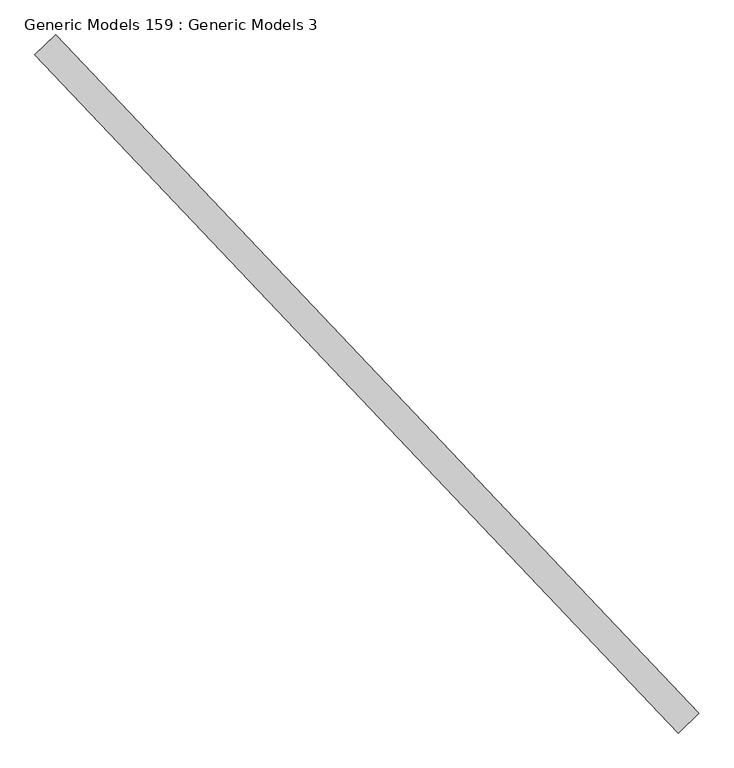
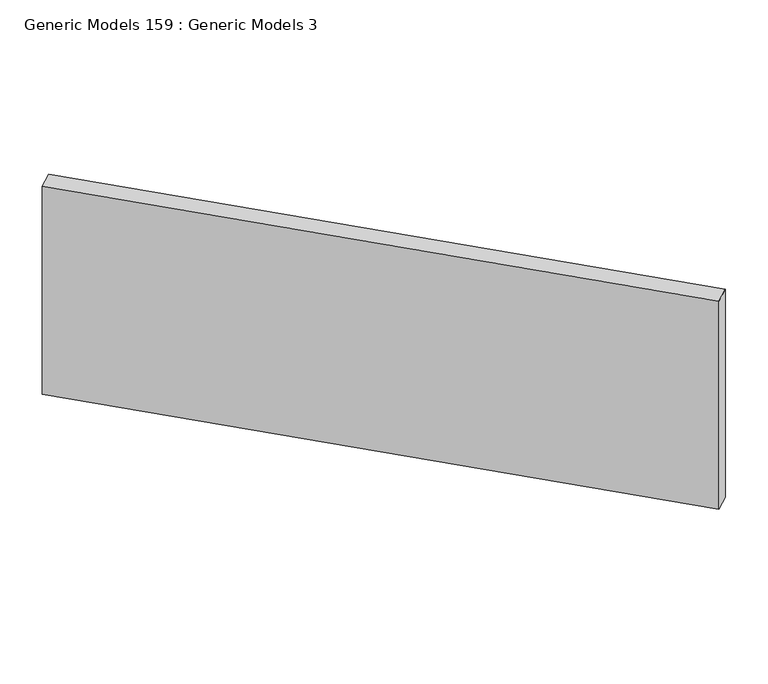
"""IFC4 building model written with IfcOpenShell, lengths in millimetres: proxy geometry, Generic Models 159 : Generic Models 3."""

from ifc_helpers import new_model, si_unit, frame, origin, place, context, project, spatial, polyline, outline, extrude, source, transform, mapped, element, save


def generic_models_159_generic_models_3_d414905c(model_context):
    return source(origin(), model_context, "Body", "SweptSolid", [
        extrude(outline(polyline([(110371.5332868, 57040.0681096), (110472.8680865, 57136.2312438), (113591.6133714, 53849.7594467), (113490.2785718, 53753.5963125), (110371.5332868, 57040.0681096)])), frame((0.0, 0.0, 16212.7121436), z_axis=(0.0, 0.0, 1.0), x_axis=(1.0, 0.0, 0.0)), (0.0, 0.0, 1.0), 1630.3774828),
    ])


if __name__ == "__main__":
    model = new_model("IFC4")
    model_context = context("Model", 3, world=origin())
    ifc_project = project(units=[si_unit("LENGTHUNIT", "METRE", prefix="MILLI")], contexts=[model_context])
    site = spatial("IfcSite", under=ifc_project)
    building = spatial("IfcBuilding", under=site)
    placement = place(None, origin())
    generic_models_159_generic_models_3_shape = generic_models_159_generic_models_3_d414905c(model_context)
    element("IfcBuildingElementProxy", 1, Name="Generic Models 159 : Generic Models 3", ObjectType="Generic Models 159 : Generic Models 3", at=placement, inside=building, context=model_context, shape_type="MappedRepresentation", body=[
        mapped(generic_models_159_generic_models_3_shape, transform((0.0, 0.0, 0.0), x_axis=(1.0, 0.0, 0.0), y_axis=(0.0, 1.0, 0.0), z_axis=(0.0, 0.0, 1.0))),
    ])
    save(model, "model.ifc")
